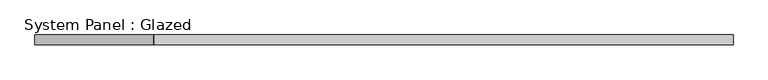
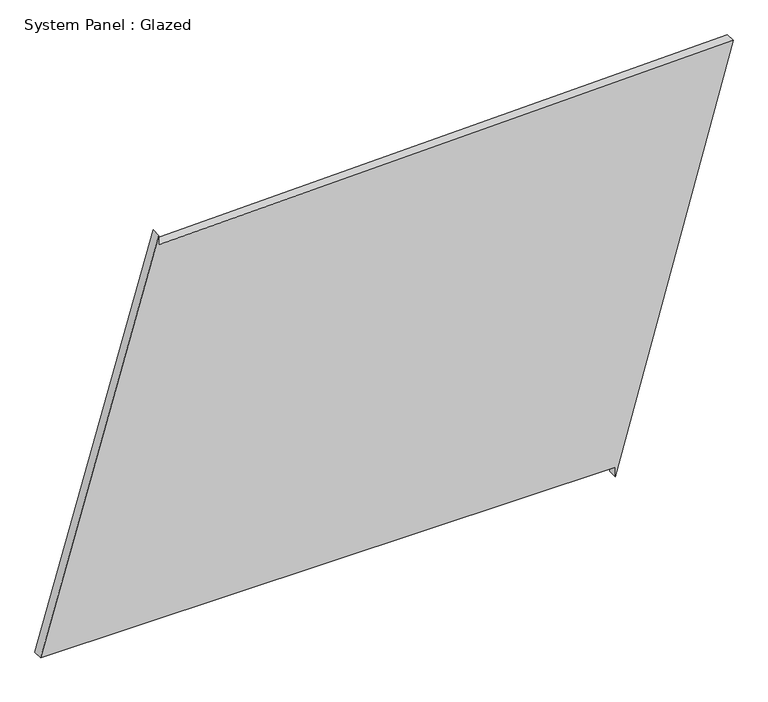
"""IFC4 building model written with IfcOpenShell, lengths in millimetres: plate geometry, System Panel : Glazed."""

from ifc_helpers import new_model, si_unit, frame, origin, place, context, project, spatial, polyline, outline, extrude, source, transform, mapped, element, save


def system_panel_glazed_b60c65cd(model_context):
    return source(origin(), model_context, "Body", "SweptSolid", [
        extrude(outline(polyline([(25.0, 589.1911993), (0.0, 589.1911993), (1082.8988833, 893.1047097), (1044.7904086, -587.7990517), (1069.7821352, -588.4421702), (25.0, -893.1047097), (25.0, 589.1911993)])), frame((0.0, -49.5, 0.0), z_axis=(0.0, 1.0, 0.0), x_axis=(0.0, 0.0, 1.0)), (0.0, 0.0, 1.0), 25.0),
    ])


if __name__ == "__main__":
    model = new_model("IFC4")
    model_context = context("Model", 3, world=origin())
    ifc_project = project(units=[si_unit("LENGTHUNIT", "METRE", prefix="MILLI")], contexts=[model_context])
    site = spatial("IfcSite", under=ifc_project)
    building = spatial("IfcBuilding", under=site)
    placement = place(None, origin())
    system_panel_glazed_shape = system_panel_glazed_b60c65cd(model_context)
    element("IfcPlate", 1, ObjectType="System Panel : Glazed", at=placement, inside=building, context=model_context, shape_type="MappedRepresentation", body=[
        mapped(system_panel_glazed_shape, transform((0.0, 0.0, 0.0), x_axis=(1.0, 0.0, 0.0), y_axis=(0.0, 1.0, 0.0), z_axis=(0.0, 0.0, 1.0))),
    ])
    save(model, "model.ifc")
